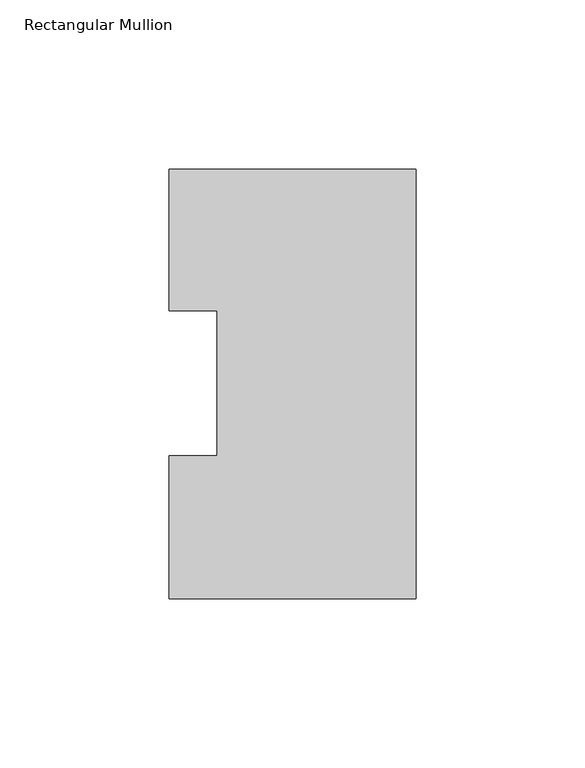
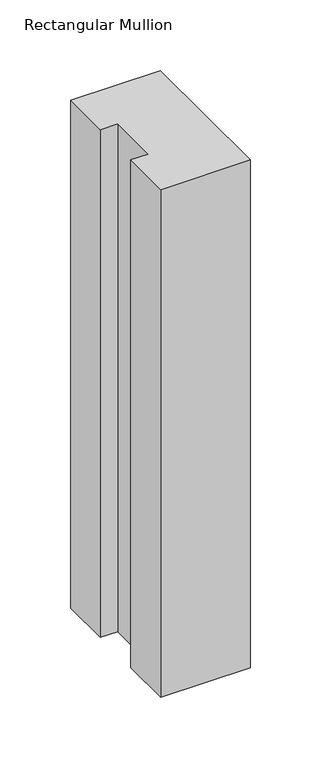
"""IFC4 building model written with IfcOpenShell, lengths in millimetres: member geometry, Rectangular Mullion."""

from ifc_helpers import new_model, si_unit, frame, origin, place, context, project, spatial, polyline, outline, extrude, source, transform, mapped, element, save


def rectangular_mullion_8fa29cf4(model_context):
    return source(origin(), model_context, "Body", "SweptSolid", [
        extrude(outline(polyline([(0.0, 126.9888875), (0.0, -0.0111125), (-73.025, -0.0111125), (-73.025, 42.2798875), (-58.7375, 42.2798875), (-58.7375, 85.1296875), (-73.025, 85.1296875), (-73.025, 126.9888875), (0.0, 126.9888875)])), frame((0.0, 0.0, -438.15), z_axis=(0.0, 0.0, 1.0), x_axis=(1.0, 0.0, 0.0)), (0.0, 0.0, 1.0), 438.15),
    ])


if __name__ == "__main__":
    model = new_model("IFC4")
    model_context = context("Model", 3, world=origin())
    ifc_project = project(units=[si_unit("LENGTHUNIT", "METRE", prefix="MILLI")], contexts=[model_context])
    site = spatial("IfcSite", under=ifc_project)
    building = spatial("IfcBuilding", under=site)
    placement = place(None, origin())
    rectangular_mullion_shape = rectangular_mullion_8fa29cf4(model_context)
    element("IfcMember", 1, ObjectType="Rectangular Mullion", at=placement, inside=building, context=model_context, shape_type="MappedRepresentation", body=[
        mapped(rectangular_mullion_shape, transform((0.0, 0.0, 0.0), x_axis=(1.0, 0.0, 0.0), y_axis=(0.0, 1.0, 0.0), z_axis=(0.0, 0.0, 1.0))),
    ])
    save(model, "model.ifc")
